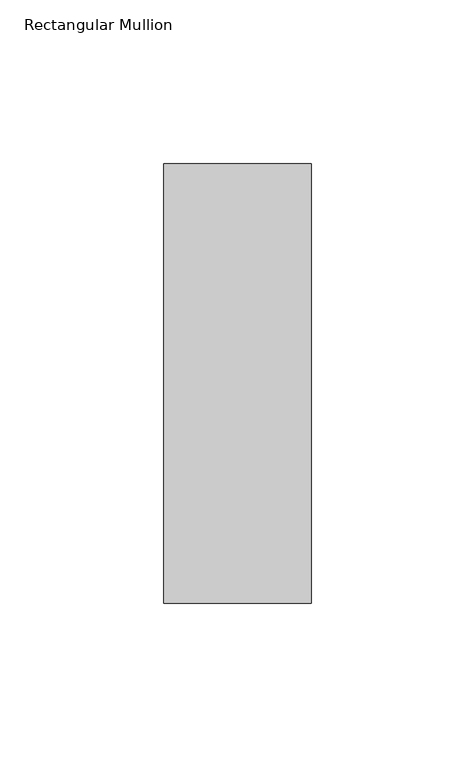
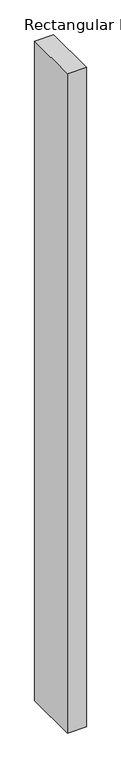
"""IFC4 building model written with IfcOpenShell, lengths in millimetres: member geometry, Rectangular Mullion."""

from ifc_helpers import new_model, si_unit, frame, origin, place, context, project, spatial, polyline, outline, extrude, source, transform, mapped, element, save


def rectangular_mullion_02d45cef(model_context):
    return source(origin(), model_context, "Body", "SweptSolid", [
        extrude(outline(polyline([(-45.0, 82.60625), (0.0, 82.60625), (0.0, -51.60625), (-45.0, -51.60625), (-45.0, 82.60625)])), frame((0.0, 0.0, -1652.9427622), z_axis=(0.0, 0.0, 1.0), x_axis=(1.0, 0.0, 0.0)), (0.0, 0.0, 1.0), 1652.9427622),
    ])


if __name__ == "__main__":
    model = new_model("IFC4")
    model_context = context("Model", 3, world=origin())
    ifc_project = project(units=[si_unit("LENGTHUNIT", "METRE", prefix="MILLI")], contexts=[model_context])
    site = spatial("IfcSite", under=ifc_project)
    building = spatial("IfcBuilding", under=site)
    placement = place(None, origin())
    rectangular_mullion_shape = rectangular_mullion_02d45cef(model_context)
    element("IfcMember", 1, ObjectType="Rectangular Mullion", at=placement, inside=building, context=model_context, shape_type="MappedRepresentation", body=[
        mapped(rectangular_mullion_shape, transform((0.0, 0.0, 0.0), x_axis=(1.0, 0.0, 0.0), y_axis=(0.0, 1.0, 0.0), z_axis=(0.0, 0.0, 1.0))),
    ])
    save(model, "model.ifc")
